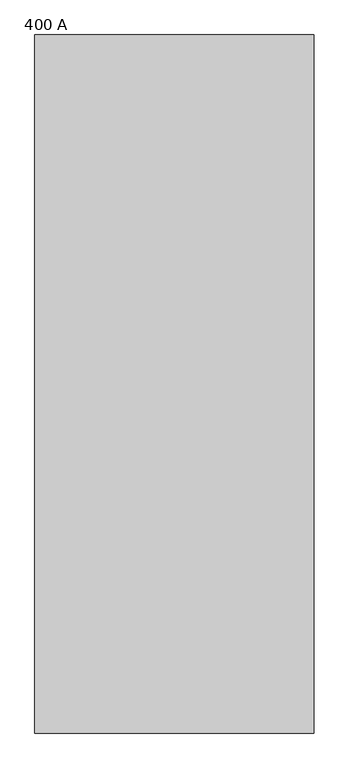
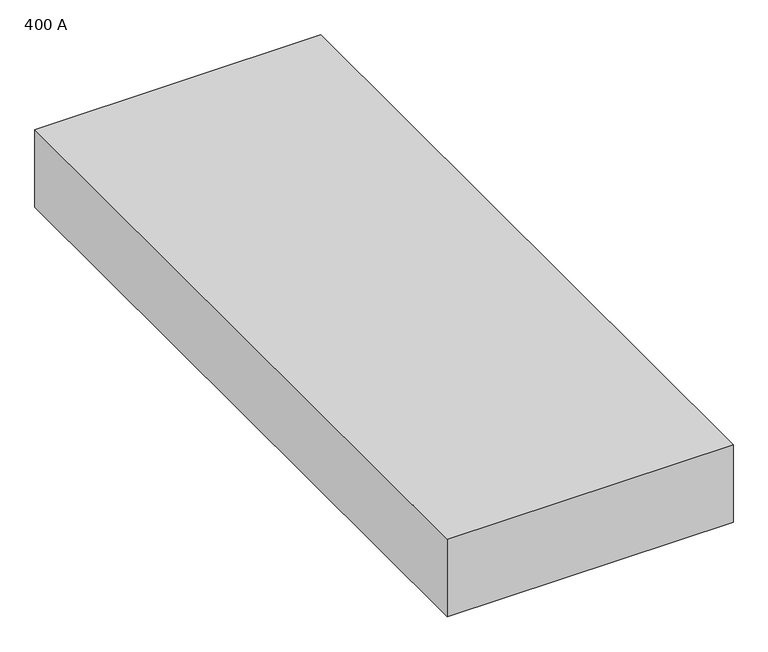
"""IFC4 building model written with IfcOpenShell, lengths in millimetres: proxy geometry, 400 A."""

from ifc_helpers import new_model, si_unit, frame, origin, place, context, project, spatial, polyline, outline, extrude, source, transform, mapped, element, save


def proxy_400_a_64a6d641(model_context):
    return source(origin(), model_context, "Body", "SweptSolid", [
        extrude(outline(polyline([(254.0, 1008.8725953), (254.0, -261.1274047), (-254.0, -261.1274047), (-254.0, 1008.8725953), (254.0, 1008.8725953)])), frame((0.0, 0.0, -146.05), z_axis=(0.0, 0.0, 1.0), x_axis=(1.0, 0.0, 0.0)), (0.0, 0.0, 1.0), 146.05),
    ])


if __name__ == "__main__":
    model = new_model("IFC4")
    model_context = context("Model", 3, world=origin())
    ifc_project = project(units=[si_unit("LENGTHUNIT", "METRE", prefix="MILLI")], contexts=[model_context])
    site = spatial("IfcSite", under=ifc_project)
    building = spatial("IfcBuilding", under=site)
    placement = place(None, origin())
    proxy_400_a_shape = proxy_400_a_64a6d641(model_context)
    element("IfcBuildingElementProxy", 1, Name="400 A", ObjectType="400 A", at=placement, inside=building, context=model_context, shape_type="MappedRepresentation", body=[
        mapped(proxy_400_a_shape, transform((0.0, 0.0, 0.0), x_axis=(1.0, 0.0, 0.0), y_axis=(0.0, 1.0, 0.0), z_axis=(0.0, 0.0, 1.0))),
    ])
    save(model, "model.ifc")
